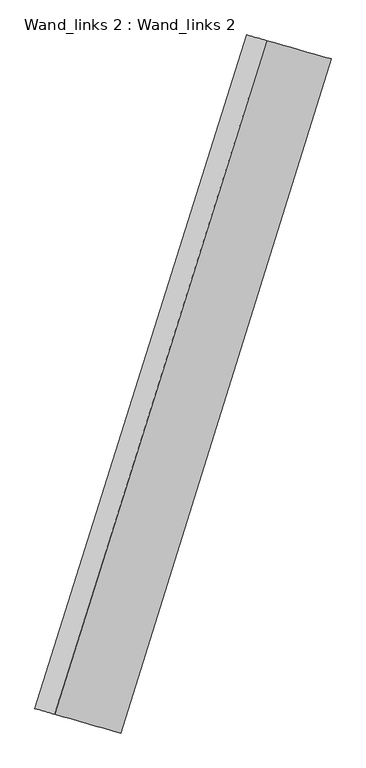
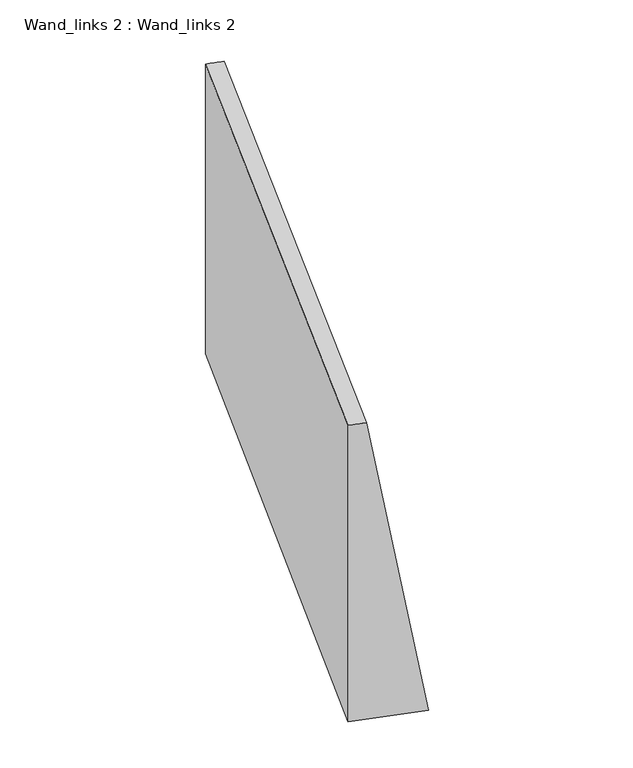
"""IFC4 building model written with IfcOpenShell, lengths in millimetres: proxy geometry, Wand_links 2 : Wand_links 2."""

from ifc_helpers import new_model, si_unit, frame, origin, place, context, project, spatial, source, transform, mapped, element, save
from ifc_brep_helpers import plane_surface, spline_surface, advanced_brep


def wand_links_2_wand_links_2_1bfc0d4e(model_context):
    return source(origin(), model_context, "Body", "AdvancedBrep", [
        advanced_brep(
        [(3600.9192864, 11866.2365249, 0.0), (3600.9192864, 11866.2365249, 6465.0), (3937.5241493, 11770.3346674, 6465.0), (5033.8499676, 11457.9812405, 0.0), (0.0, 415.5198465, 6615.0), (0.0, 415.5198465, 0.0), (1458.3625225, 0.0, 0.0), (336.6037198, 319.6139769, 6615.0)],
        [
            (0, 1),
            (1, 2),
            (2, 3),
            (3, 0),
            (4, 5),
            (5, 6),
            (6, 7),
            (7, 4),
            (4, 1),
            (0, 5),
            (7, 2),
            (6, 3),
        ],
        [
            plane_surface(frame((4067.2821926, 11733.3653935, 2984.6870443), z_axis=(0.27400530718775307, 0.9617281797020119, 0.0), x_axis=(0.0, 0.0, 1.0))),
            plane_surface(frame((473.2768552, 280.6727676, 3053.6663628), z_axis=(-0.27401677042056877, -0.9617249136464551, 0.0), x_axis=(0.0, 0.0, 1.0))),
            spline_surface(1, 1, [[(0.0, 415.5198465, 0.0), (3600.9192864, 11866.2365249, 0.0)], [(0.0, 415.5198465, 6615.0), (3600.9192864, 11866.2365249, 6465.0)]], [2, 2], [2, 2], [0.0, 1.0], [0.0, 1.0]),
            spline_surface(1, 1, [[(0.0, 415.5198465, 6615.0), (3600.9192864, 11866.2365249, 6465.0)], [(336.6037198, 319.6139769, 6615.0), (3937.5241493, 11770.3346674, 6465.0)]], [2, 2], [2, 2], [0.0, 1.0], [0.0, 1.0]),
            spline_surface(1, 1, [[(336.6037198, 319.6139769, 6615.0), (3937.5241493, 11770.3346674, 6465.0)], [(1458.3625225, 0.0, 0.0), (5033.8499676, 11457.9812405, 0.0)]], [2, 2], [2, 2], [0.0, 1.0], [0.0, 1.0]),
            spline_surface(1, 1, [[(1458.3625225, 0.0, 0.0), (5033.8499676, 11457.9812405, 0.0)], [(0.0, 415.5198465, 0.0), (3600.9192864, 11866.2365249, 0.0)]], [2, 2], [2, 2], [0.0, 1.0], [0.0, 1.0]),
        ],
        [
            (0, [[1, 2, 3, 4]]),
            (1, [[5, 6, 7, 8]]),
            (2, [[-5, 9, -1, 10]]),
            (3, [[-8, 11, -2, -9]]),
            (4, [[-7, 12, -3, -11]]),
            (5, [[-6, -10, -4, -12]]),
        ],
    ),
    ])


if __name__ == "__main__":
    model = new_model("IFC4")
    model_context = context("Model", 3, world=origin())
    ifc_project = project(units=[si_unit("LENGTHUNIT", "METRE", prefix="MILLI")], contexts=[model_context])
    site = spatial("IfcSite", under=ifc_project)
    building = spatial("IfcBuilding", under=site)
    placement = place(None, origin())
    wand_links_2_wand_links_2_shape = wand_links_2_wand_links_2_1bfc0d4e(model_context)
    element("IfcBuildingElementProxy", 1, Name="Wand_links 2 : Wand_links 2", ObjectType="Wand_links 2 : Wand_links 2", at=placement, inside=building, context=model_context, shape_type="MappedRepresentation", body=[
        mapped(wand_links_2_wand_links_2_shape, transform((0.0, 0.0, 0.0), x_axis=(1.0, 0.0, 0.0), y_axis=(0.0, 1.0, 0.0), z_axis=(0.0, 0.0, 1.0))),
    ])
    save(model, "model.ifc")
